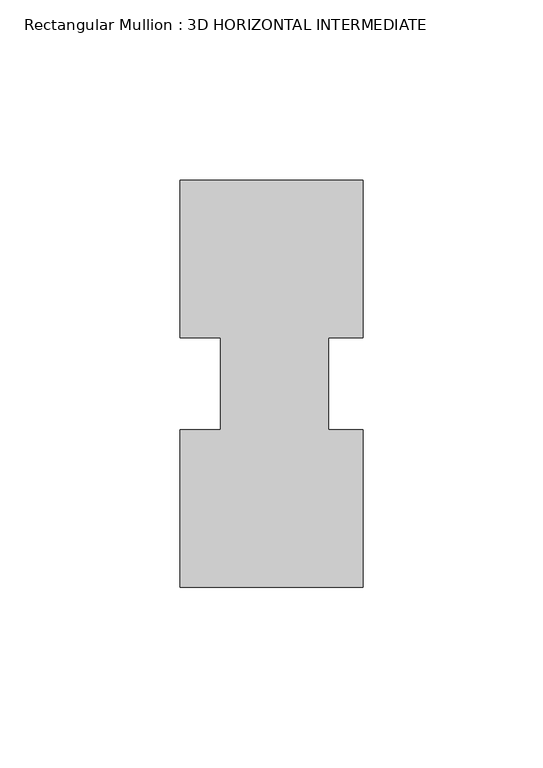
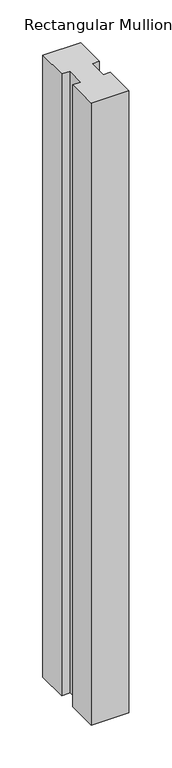
"""IFC4 building model written with IfcOpenShell, lengths in millimetres: member geometry, Rectangular Mullion : 3D HORIZONTAL INTERMEDIATE."""

from ifc_helpers import new_model, si_unit, frame, origin, place, context, project, spatial, polyline, outline, extrude, source, transform, mapped, element, save


def rectangular_mullion_3d_horizontal_intermediate_b3646872(model_context):
    return source(origin(), model_context, "Body", "SweptSolid", [
        extrude(outline(polyline([(24.4527147, 12.7295207), (14.9404146, 12.7295207), (14.9404146, -12.7581776), (24.4527147, -12.7581776), (24.4527147, -56.5435115), (-26.3472853, -56.5435115), (-26.3472853, -12.7581776), (-14.9939298, -12.7581776), (-14.9939298, 12.7295207), (-26.3282353, 12.7295207), (-26.3282353, 56.5372885), (24.4527147, 56.5372885), (24.4527147, 12.7295207)])), frame((0.0, 0.0, -885.825), z_axis=(0.0, 0.0, 1.0), x_axis=(1.0, 0.0, 0.0)), (0.0, 0.0, 1.0), 885.825),
    ])


if __name__ == "__main__":
    model = new_model("IFC4")
    model_context = context("Model", 3, world=origin())
    ifc_project = project(units=[si_unit("LENGTHUNIT", "METRE", prefix="MILLI")], contexts=[model_context])
    site = spatial("IfcSite", under=ifc_project)
    building = spatial("IfcBuilding", under=site)
    placement = place(None, origin())
    rectangular_mullion_3d_horizontal_intermediate_shape = rectangular_mullion_3d_horizontal_intermediate_b3646872(model_context)
    element("IfcMember", 1, ObjectType="Rectangular Mullion : 3D HORIZONTAL INTERMEDIATE", at=placement, inside=building, context=model_context, shape_type="MappedRepresentation", body=[
        mapped(rectangular_mullion_3d_horizontal_intermediate_shape, transform((0.0, 0.0, 0.0), x_axis=(1.0, 0.0, 0.0), y_axis=(0.0, 1.0, 0.0), z_axis=(0.0, 0.0, 1.0))),
    ])
    save(model, "model.ifc")
